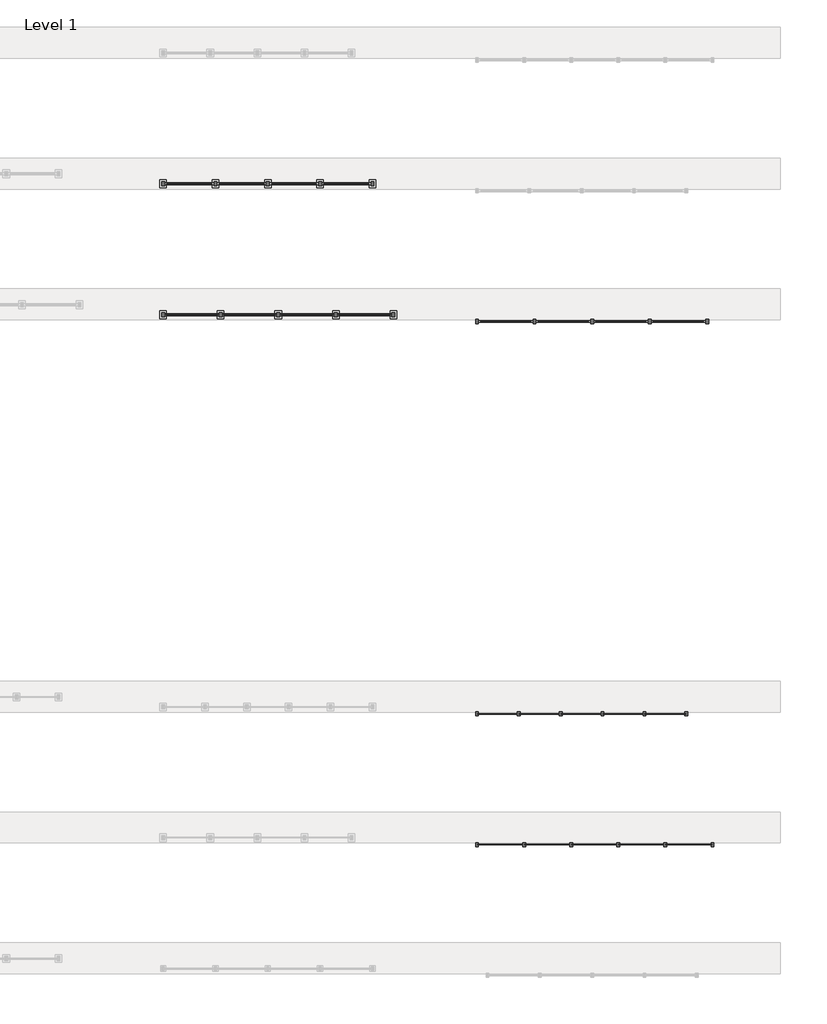
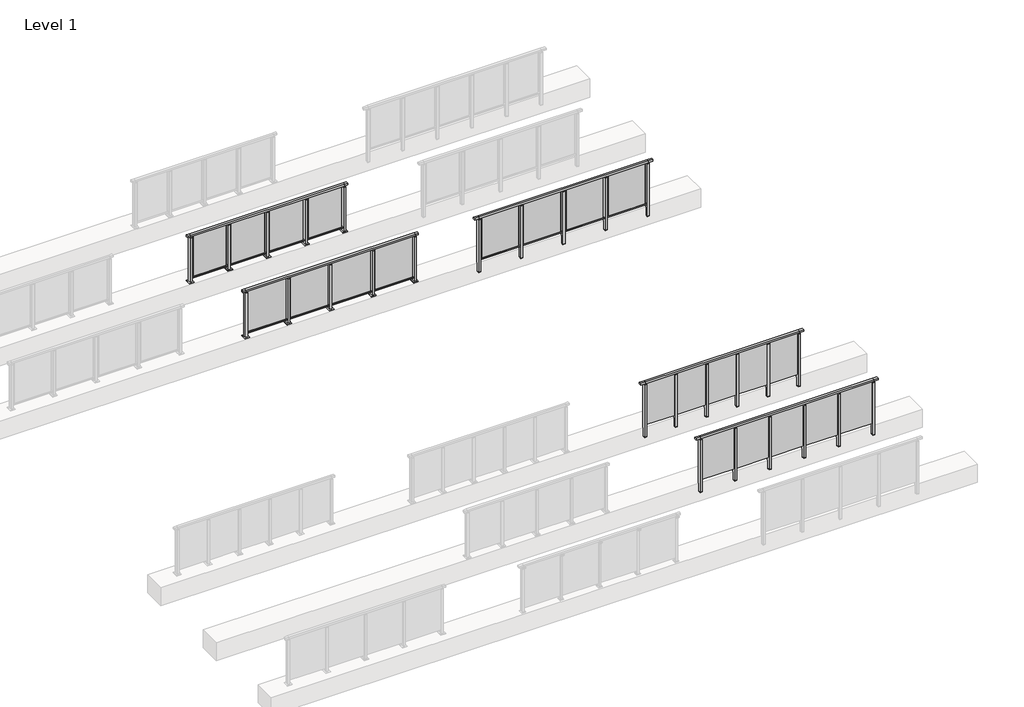
# One storey, part 34 of 38: 5 railings.
"""IFC4 building model written with IfcOpenShell, lengths in millimetres."""

from ifc_helpers import new_model, si_unit, frame, origin, origin_with_axes, place, context, project, spatial, polyline, outline, extrude, faceted_brep, element, save

model = new_model("IFC4")

# Units and contexts
model_context = context("Model", 3, world=origin())
ifc_project = project(units=[si_unit("LENGTHUNIT", "METRE", prefix="MILLI")], contexts=[model_context])

# Site, building, storey
site = spatial("IfcSite", under=ifc_project)
building = spatial("IfcBuilding", under=site)
storey = spatial("IfcBuildingStorey", under=building, Name="Level 1", Elevation=0.0)

# Railings
placement = place(None, origin())
element("IfcRailing", 1, at=placement, inside=storey, context=model_context, shape_type="SolidModel", body=[
    faceted_brep([(41476.1884576, 34897.6846828, 1252.5), (41476.1884576, 34897.6846828, 1300.0), (45976.1884576, 34897.6846828, 1300.0), (45976.1884576, 34897.6846828, 1252.5), (41476.1884576, 34837.6846828, 1252.5), (45976.1884576, 34837.6846828, 1252.5), (41476.1884576, 34837.6846828, 1300.0), (45976.1884576, 34837.6846828, 1300.0), (41353.1884576, 34897.6846828, 1300.0), (41353.1884576, 34897.6846828, 1252.5), (41353.1884576, 34837.6846828, 1252.5), (41353.1884576, 34837.6846828, 1300.0), (46099.1884576, 34897.6846828, 1300.0), (46099.1884576, 34837.6846828, 1300.0), (46099.1884576, 34837.6846828, 1252.5), (46099.1884576, 34897.6846828, 1252.5)], [[[0, 1, 2, 3]], [[4, 0, 3, 5]], [[6, 4, 5, 7]], [[1, 6, 7, 2]], [[8, 9, 10, 11]], [[9, 8, 1, 0]], [[10, 9, 0, 4]], [[11, 10, 4, 6]], [[8, 11, 6, 1]], [[12, 13, 14, 15]], [[3, 2, 12, 15]], [[5, 3, 15, 14]], [[7, 5, 14, 13]], [[2, 7, 13, 12]]]),
    extrude(outline(polyline([(45086.1884576, 34860.9094929), (45086.1884576, 34872.9094929), (45966.1884576, 34872.9094929), (45966.1884576, 34860.9094929), (45086.1884576, 34860.9094929)])), frame((0.0, 0.0, 95.0), z_axis=(0.0, 0.0, 1.0), x_axis=(1.0, 0.0, 0.0)), (0.0, 0.0, 1.0), 1160.0),
    extrude(outline(polyline([(45103.1884576, 34906.6846828), (45103.1884576, 34828.6846828), (45049.1884576, 34828.6846828), (45049.1884576, 34906.6846828), (45103.1884576, 34906.6846828)])), frame((0.0, 0.0, 1227.0), z_axis=(0.0, 0.0, 1.0), x_axis=(1.0, 0.0, 0.0)), (0.0, 0.0, 1.0), 8.0),
    extrude(outline(polyline([(45086.1884576, 34877.6846828), (45086.1884576, 34857.6846828), (45066.1884576, 34857.6846828), (45066.1884576, 34877.6846828), (45086.1884576, 34877.6846828)])), frame((0.0, 0.0, 1235.0), z_axis=(0.0, 0.0, 1.0), x_axis=(1.0, 0.0, 0.0)), (0.0, 0.0, 1.0), 20.0),
    extrude(outline(polyline([(45103.1884576, 34906.6846828), (45103.1884576, 34828.6846828), (45049.1884576, 34828.6846828), (45049.1884576, 34906.6846828), (45103.1884576, 34906.6846828)])), frame((0.0, 0.0, -220.0), z_axis=(0.0, 0.0, 1.0), x_axis=(1.0, 0.0, 0.0)), (0.0, 0.0, 1.0), 8.0),
    extrude(outline(polyline([(45103.1884576, 34906.6846828), (45103.1884576, 34828.6846828), (45049.1884576, 34828.6846828), (45049.1884576, 34906.6846828), (45103.1884576, 34906.6846828)])), frame((0.0, 0.0, -212.0), z_axis=(0.0, 0.0, 1.0), x_axis=(1.0, 0.0, 0.0)), (0.0, 0.0, 1.0), 1439.0),
    extrude(outline(polyline([(44186.1884576, 34860.9094929), (44186.1884576, 34872.9094929), (45066.1884576, 34872.9094929), (45066.1884576, 34860.9094929), (44186.1884576, 34860.9094929)])), frame((0.0, 0.0, 95.0), z_axis=(0.0, 0.0, 1.0), x_axis=(1.0, 0.0, 0.0)), (0.0, 0.0, 1.0), 1160.0),
    extrude(outline(polyline([(44203.1884576, 34906.6846828), (44203.1884576, 34828.6846828), (44149.1884576, 34828.6846828), (44149.1884576, 34906.6846828), (44203.1884576, 34906.6846828)])), frame((0.0, 0.0, 1227.0), z_axis=(0.0, 0.0, 1.0), x_axis=(1.0, 0.0, 0.0)), (0.0, 0.0, 1.0), 8.0),
    extrude(outline(polyline([(44186.1884576, 34877.6846828), (44186.1884576, 34857.6846828), (44166.1884576, 34857.6846828), (44166.1884576, 34877.6846828), (44186.1884576, 34877.6846828)])), frame((0.0, 0.0, 1235.0), z_axis=(0.0, 0.0, 1.0), x_axis=(1.0, 0.0, 0.0)), (0.0, 0.0, 1.0), 20.0),
    extrude(outline(polyline([(44203.1884576, 34906.6846828), (44203.1884576, 34828.6846828), (44149.1884576, 34828.6846828), (44149.1884576, 34906.6846828), (44203.1884576, 34906.6846828)])), frame((0.0, 0.0, -220.0), z_axis=(0.0, 0.0, 1.0), x_axis=(1.0, 0.0, 0.0)), (0.0, 0.0, 1.0), 8.0),
    extrude(outline(polyline([(44203.1884576, 34906.6846828), (44203.1884576, 34828.6846828), (44149.1884576, 34828.6846828), (44149.1884576, 34906.6846828), (44203.1884576, 34906.6846828)])), frame((0.0, 0.0, -212.0), z_axis=(0.0, 0.0, 1.0), x_axis=(1.0, 0.0, 0.0)), (0.0, 0.0, 1.0), 1439.0),
    extrude(outline(polyline([(43286.1884576, 34860.9094929), (43286.1884576, 34872.9094929), (44166.1884576, 34872.9094929), (44166.1884576, 34860.9094929), (43286.1884576, 34860.9094929)])), frame((0.0, 0.0, 95.0), z_axis=(0.0, 0.0, 1.0), x_axis=(1.0, 0.0, 0.0)), (0.0, 0.0, 1.0), 1160.0),
    extrude(outline(polyline([(43303.1884576, 34906.6846828), (43303.1884576, 34828.6846828), (43249.1884576, 34828.6846828), (43249.1884576, 34906.6846828), (43303.1884576, 34906.6846828)])), frame((0.0, 0.0, 1227.0), z_axis=(0.0, 0.0, 1.0), x_axis=(1.0, 0.0, 0.0)), (0.0, 0.0, 1.0), 8.0),
    extrude(outline(polyline([(43286.1884576, 34877.6846828), (43286.1884576, 34857.6846828), (43266.1884576, 34857.6846828), (43266.1884576, 34877.6846828), (43286.1884576, 34877.6846828)])), frame((0.0, 0.0, 1235.0), z_axis=(0.0, 0.0, 1.0), x_axis=(1.0, 0.0, 0.0)), (0.0, 0.0, 1.0), 20.0),
    extrude(outline(polyline([(43303.1884576, 34906.6846828), (43303.1884576, 34828.6846828), (43249.1884576, 34828.6846828), (43249.1884576, 34906.6846828), (43303.1884576, 34906.6846828)])), frame((0.0, 0.0, -220.0), z_axis=(0.0, 0.0, 1.0), x_axis=(1.0, 0.0, 0.0)), (0.0, 0.0, 1.0), 8.0),
    extrude(outline(polyline([(43303.1884576, 34906.6846828), (43303.1884576, 34828.6846828), (43249.1884576, 34828.6846828), (43249.1884576, 34906.6846828), (43303.1884576, 34906.6846828)])), frame((0.0, 0.0, -212.0), z_axis=(0.0, 0.0, 1.0), x_axis=(1.0, 0.0, 0.0)), (0.0, 0.0, 1.0), 1439.0),
    extrude(outline(polyline([(42386.1884576, 34860.9094929), (42386.1884576, 34872.9094929), (43266.1884576, 34872.9094929), (43266.1884576, 34860.9094929), (42386.1884576, 34860.9094929)])), frame((0.0, 0.0, 95.0), z_axis=(0.0, 0.0, 1.0), x_axis=(1.0, 0.0, 0.0)), (0.0, 0.0, 1.0), 1160.0),
    extrude(outline(polyline([(42403.1884576, 34906.6846828), (42403.1884576, 34828.6846828), (42349.1884576, 34828.6846828), (42349.1884576, 34906.6846828), (42403.1884576, 34906.6846828)])), frame((0.0, 0.0, 1227.0), z_axis=(0.0, 0.0, 1.0), x_axis=(1.0, 0.0, 0.0)), (0.0, 0.0, 1.0), 8.0),
    extrude(outline(polyline([(42386.1884576, 34877.6846828), (42386.1884576, 34857.6846828), (42366.1884576, 34857.6846828), (42366.1884576, 34877.6846828), (42386.1884576, 34877.6846828)])), frame((0.0, 0.0, 1235.0), z_axis=(0.0, 0.0, 1.0), x_axis=(1.0, 0.0, 0.0)), (0.0, 0.0, 1.0), 20.0),
    extrude(outline(polyline([(42403.1884576, 34906.6846828), (42403.1884576, 34828.6846828), (42349.1884576, 34828.6846828), (42349.1884576, 34906.6846828), (42403.1884576, 34906.6846828)])), frame((0.0, 0.0, -220.0), z_axis=(0.0, 0.0, 1.0), x_axis=(1.0, 0.0, 0.0)), (0.0, 0.0, 1.0), 8.0),
    extrude(outline(polyline([(42403.1884576, 34906.6846828), (42403.1884576, 34828.6846828), (42349.1884576, 34828.6846828), (42349.1884576, 34906.6846828), (42403.1884576, 34906.6846828)])), frame((0.0, 0.0, -212.0), z_axis=(0.0, 0.0, 1.0), x_axis=(1.0, 0.0, 0.0)), (0.0, 0.0, 1.0), 1439.0),
    extrude(outline(polyline([(41486.1884576, 34860.9094929), (41486.1884576, 34872.9094929), (42366.1884576, 34872.9094929), (42366.1884576, 34860.9094929), (41486.1884576, 34860.9094929)])), frame((0.0, 0.0, 95.0), z_axis=(0.0, 0.0, 1.0), x_axis=(1.0, 0.0, 0.0)), (0.0, 0.0, 1.0), 1160.0),
    extrude(outline(polyline([(46003.1884576, 34906.6846828), (46003.1884576, 34828.6846828), (45949.1884576, 34828.6846828), (45949.1884576, 34906.6846828), (46003.1884576, 34906.6846828)])), frame((0.0, 0.0, 1227.0), z_axis=(0.0, 0.0, 1.0), x_axis=(1.0, 0.0, 0.0)), (0.0, 0.0, 1.0), 8.0),
    extrude(outline(polyline([(45986.1884576, 34877.6846828), (45986.1884576, 34857.6846828), (45966.1884576, 34857.6846828), (45966.1884576, 34877.6846828), (45986.1884576, 34877.6846828)])), frame((0.0, 0.0, 1235.0), z_axis=(0.0, 0.0, 1.0), x_axis=(1.0, 0.0, 0.0)), (0.0, 0.0, 1.0), 20.0),
    extrude(outline(polyline([(46003.1884576, 34906.6846828), (46003.1884576, 34828.6846828), (45949.1884576, 34828.6846828), (45949.1884576, 34906.6846828), (46003.1884576, 34906.6846828)])), frame((0.0, 0.0, -220.0), z_axis=(0.0, 0.0, 1.0), x_axis=(1.0, 0.0, 0.0)), (0.0, 0.0, 1.0), 8.0),
    extrude(outline(polyline([(46003.1884576, 34906.6846828), (46003.1884576, 34828.6846828), (45949.1884576, 34828.6846828), (45949.1884576, 34906.6846828), (46003.1884576, 34906.6846828)])), frame((0.0, 0.0, -212.0), z_axis=(0.0, 0.0, 1.0), x_axis=(1.0, 0.0, 0.0)), (0.0, 0.0, 1.0), 1439.0),
    extrude(outline(polyline([(41503.1884576, 34906.6846828), (41503.1884576, 34828.6846828), (41449.1884576, 34828.6846828), (41449.1884576, 34906.6846828), (41503.1884576, 34906.6846828)])), frame((0.0, 0.0, 1227.0), z_axis=(0.0, 0.0, 1.0), x_axis=(1.0, 0.0, 0.0)), (0.0, 0.0, 1.0), 8.0),
    extrude(outline(polyline([(41486.1884576, 34877.6846828), (41486.1884576, 34857.6846828), (41466.1884576, 34857.6846828), (41466.1884576, 34877.6846828), (41486.1884576, 34877.6846828)])), frame((0.0, 0.0, 1235.0), z_axis=(0.0, 0.0, 1.0), x_axis=(1.0, 0.0, 0.0)), (0.0, 0.0, 1.0), 20.0),
    extrude(outline(polyline([(41503.1884576, 34906.6846828), (41503.1884576, 34828.6846828), (41449.1884576, 34828.6846828), (41449.1884576, 34906.6846828), (41503.1884576, 34906.6846828)])), frame((0.0, 0.0, -220.0), z_axis=(0.0, 0.0, 1.0), x_axis=(1.0, 0.0, 0.0)), (0.0, 0.0, 1.0), 8.0),
    extrude(outline(polyline([(41503.1884576, 34906.6846828), (41503.1884576, 34828.6846828), (41449.1884576, 34828.6846828), (41449.1884576, 34906.6846828), (41503.1884576, 34906.6846828)])), frame((0.0, 0.0, -212.0), z_axis=(0.0, 0.0, 1.0), x_axis=(1.0, 0.0, 0.0)), (0.0, 0.0, 1.0), 1439.0),
])
element("IfcRailing", 2, at=placement, inside=storey, context=model_context, shape_type="SolidModel", body=[
    faceted_brep([(41476.1884576, 37397.6846828, 1252.5), (41476.1884576, 37397.6846828, 1300.0), (45476.1884576, 37397.6846828, 1300.0), (45476.1884576, 37397.6846828, 1252.5), (41476.1884576, 37337.6846828, 1252.5), (45476.1884576, 37337.6846828, 1252.5), (41476.1884576, 37337.6846828, 1300.0), (45476.1884576, 37337.6846828, 1300.0), (41353.1884576, 37397.6846828, 1300.0), (41353.1884576, 37397.6846828, 1252.5), (41353.1884576, 37337.6846828, 1252.5), (41353.1884576, 37337.6846828, 1300.0), (45599.1884576, 37397.6846828, 1300.0), (45599.1884576, 37337.6846828, 1300.0), (45599.1884576, 37337.6846828, 1252.5), (45599.1884576, 37397.6846828, 1252.5)], [[[0, 1, 2, 3]], [[4, 0, 3, 5]], [[6, 4, 5, 7]], [[1, 6, 7, 2]], [[8, 9, 10, 11]], [[9, 8, 1, 0]], [[10, 9, 0, 4]], [[11, 10, 4, 6]], [[8, 11, 6, 1]], [[12, 13, 14, 15]], [[3, 2, 12, 15]], [[5, 3, 15, 14]], [[7, 5, 14, 13]], [[2, 7, 13, 12]]]),
    extrude(outline(polyline([(44686.1884576, 37360.9094929), (44686.1884576, 37372.9094929), (45466.1884576, 37372.9094929), (45466.1884576, 37360.9094929), (44686.1884576, 37360.9094929)])), frame((0.0, 0.0, 95.0), z_axis=(0.0, 0.0, 1.0), x_axis=(1.0, 0.0, 0.0)), (0.0, 0.0, 1.0), 1160.0),
    extrude(outline(polyline([(44703.1884576, 37406.6846828), (44703.1884576, 37328.6846828), (44649.1884576, 37328.6846828), (44649.1884576, 37406.6846828), (44703.1884576, 37406.6846828)])), frame((0.0, 0.0, 1227.0), z_axis=(0.0, 0.0, 1.0), x_axis=(1.0, 0.0, 0.0)), (0.0, 0.0, 1.0), 8.0),
    extrude(outline(polyline([(44686.1884576, 37377.6846828), (44686.1884576, 37357.6846828), (44666.1884576, 37357.6846828), (44666.1884576, 37377.6846828), (44686.1884576, 37377.6846828)])), frame((0.0, 0.0, 1235.0), z_axis=(0.0, 0.0, 1.0), x_axis=(1.0, 0.0, 0.0)), (0.0, 0.0, 1.0), 20.0),
    extrude(outline(polyline([(44703.1884576, 37406.6846828), (44703.1884576, 37328.6846828), (44649.1884576, 37328.6846828), (44649.1884576, 37406.6846828), (44703.1884576, 37406.6846828)])), frame((0.0, 0.0, -220.0), z_axis=(0.0, 0.0, 1.0), x_axis=(1.0, 0.0, 0.0)), (0.0, 0.0, 1.0), 8.0),
    extrude(outline(polyline([(44703.1884576, 37406.6846828), (44703.1884576, 37328.6846828), (44649.1884576, 37328.6846828), (44649.1884576, 37406.6846828), (44703.1884576, 37406.6846828)])), frame((0.0, 0.0, -212.0), z_axis=(0.0, 0.0, 1.0), x_axis=(1.0, 0.0, 0.0)), (0.0, 0.0, 1.0), 1439.0),
    extrude(outline(polyline([(43886.1884576, 37360.9094929), (43886.1884576, 37372.9094929), (44666.1884576, 37372.9094929), (44666.1884576, 37360.9094929), (43886.1884576, 37360.9094929)])), frame((0.0, 0.0, 95.0), z_axis=(0.0, 0.0, 1.0), x_axis=(1.0, 0.0, 0.0)), (0.0, 0.0, 1.0), 1160.0),
    extrude(outline(polyline([(43903.1884576, 37406.6846828), (43903.1884576, 37328.6846828), (43849.1884576, 37328.6846828), (43849.1884576, 37406.6846828), (43903.1884576, 37406.6846828)])), frame((0.0, 0.0, 1227.0), z_axis=(0.0, 0.0, 1.0), x_axis=(1.0, 0.0, 0.0)), (0.0, 0.0, 1.0), 8.0),
    extrude(outline(polyline([(43886.1884576, 37377.6846828), (43886.1884576, 37357.6846828), (43866.1884576, 37357.6846828), (43866.1884576, 37377.6846828), (43886.1884576, 37377.6846828)])), frame((0.0, 0.0, 1235.0), z_axis=(0.0, 0.0, 1.0), x_axis=(1.0, 0.0, 0.0)), (0.0, 0.0, 1.0), 20.0),
    extrude(outline(polyline([(43903.1884576, 37406.6846828), (43903.1884576, 37328.6846828), (43849.1884576, 37328.6846828), (43849.1884576, 37406.6846828), (43903.1884576, 37406.6846828)])), frame((0.0, 0.0, -220.0), z_axis=(0.0, 0.0, 1.0), x_axis=(1.0, 0.0, 0.0)), (0.0, 0.0, 1.0), 8.0),
    extrude(outline(polyline([(43903.1884576, 37406.6846828), (43903.1884576, 37328.6846828), (43849.1884576, 37328.6846828), (43849.1884576, 37406.6846828), (43903.1884576, 37406.6846828)])), frame((0.0, 0.0, -212.0), z_axis=(0.0, 0.0, 1.0), x_axis=(1.0, 0.0, 0.0)), (0.0, 0.0, 1.0), 1439.0),
    extrude(outline(polyline([(43086.1884576, 37360.9094929), (43086.1884576, 37372.9094929), (43866.1884576, 37372.9094929), (43866.1884576, 37360.9094929), (43086.1884576, 37360.9094929)])), frame((0.0, 0.0, 95.0), z_axis=(0.0, 0.0, 1.0), x_axis=(1.0, 0.0, 0.0)), (0.0, 0.0, 1.0), 1160.0),
    extrude(outline(polyline([(43103.1884576, 37406.6846828), (43103.1884576, 37328.6846828), (43049.1884576, 37328.6846828), (43049.1884576, 37406.6846828), (43103.1884576, 37406.6846828)])), frame((0.0, 0.0, 1227.0), z_axis=(0.0, 0.0, 1.0), x_axis=(1.0, 0.0, 0.0)), (0.0, 0.0, 1.0), 8.0),
    extrude(outline(polyline([(43086.1884576, 37377.6846828), (43086.1884576, 37357.6846828), (43066.1884576, 37357.6846828), (43066.1884576, 37377.6846828), (43086.1884576, 37377.6846828)])), frame((0.0, 0.0, 1235.0), z_axis=(0.0, 0.0, 1.0), x_axis=(1.0, 0.0, 0.0)), (0.0, 0.0, 1.0), 20.0),
    extrude(outline(polyline([(43103.1884576, 37406.6846828), (43103.1884576, 37328.6846828), (43049.1884576, 37328.6846828), (43049.1884576, 37406.6846828), (43103.1884576, 37406.6846828)])), frame((0.0, 0.0, -220.0), z_axis=(0.0, 0.0, 1.0), x_axis=(1.0, 0.0, 0.0)), (0.0, 0.0, 1.0), 8.0),
    extrude(outline(polyline([(43103.1884576, 37406.6846828), (43103.1884576, 37328.6846828), (43049.1884576, 37328.6846828), (43049.1884576, 37406.6846828), (43103.1884576, 37406.6846828)])), frame((0.0, 0.0, -212.0), z_axis=(0.0, 0.0, 1.0), x_axis=(1.0, 0.0, 0.0)), (0.0, 0.0, 1.0), 1439.0),
    extrude(outline(polyline([(42286.1884576, 37360.9094929), (42286.1884576, 37372.9094929), (43066.1884576, 37372.9094929), (43066.1884576, 37360.9094929), (42286.1884576, 37360.9094929)])), frame((0.0, 0.0, 95.0), z_axis=(0.0, 0.0, 1.0), x_axis=(1.0, 0.0, 0.0)), (0.0, 0.0, 1.0), 1160.0),
    extrude(outline(polyline([(42303.1884576, 37406.6846828), (42303.1884576, 37328.6846828), (42249.1884576, 37328.6846828), (42249.1884576, 37406.6846828), (42303.1884576, 37406.6846828)])), frame((0.0, 0.0, 1227.0), z_axis=(0.0, 0.0, 1.0), x_axis=(1.0, 0.0, 0.0)), (0.0, 0.0, 1.0), 8.0),
    extrude(outline(polyline([(42286.1884576, 37377.6846828), (42286.1884576, 37357.6846828), (42266.1884576, 37357.6846828), (42266.1884576, 37377.6846828), (42286.1884576, 37377.6846828)])), frame((0.0, 0.0, 1235.0), z_axis=(0.0, 0.0, 1.0), x_axis=(1.0, 0.0, 0.0)), (0.0, 0.0, 1.0), 20.0),
    extrude(outline(polyline([(42303.1884576, 37406.6846828), (42303.1884576, 37328.6846828), (42249.1884576, 37328.6846828), (42249.1884576, 37406.6846828), (42303.1884576, 37406.6846828)])), frame((0.0, 0.0, -220.0), z_axis=(0.0, 0.0, 1.0), x_axis=(1.0, 0.0, 0.0)), (0.0, 0.0, 1.0), 8.0),
    extrude(outline(polyline([(42303.1884576, 37406.6846828), (42303.1884576, 37328.6846828), (42249.1884576, 37328.6846828), (42249.1884576, 37406.6846828), (42303.1884576, 37406.6846828)])), frame((0.0, 0.0, -212.0), z_axis=(0.0, 0.0, 1.0), x_axis=(1.0, 0.0, 0.0)), (0.0, 0.0, 1.0), 1439.0),
    extrude(outline(polyline([(41486.1884576, 37360.9094929), (41486.1884576, 37372.9094929), (42266.1884576, 37372.9094929), (42266.1884576, 37360.9094929), (41486.1884576, 37360.9094929)])), frame((0.0, 0.0, 95.0), z_axis=(0.0, 0.0, 1.0), x_axis=(1.0, 0.0, 0.0)), (0.0, 0.0, 1.0), 1160.0),
    extrude(outline(polyline([(45503.1884576, 37406.6846828), (45503.1884576, 37328.6846828), (45449.1884576, 37328.6846828), (45449.1884576, 37406.6846828), (45503.1884576, 37406.6846828)])), frame((0.0, 0.0, 1227.0), z_axis=(0.0, 0.0, 1.0), x_axis=(1.0, 0.0, 0.0)), (0.0, 0.0, 1.0), 8.0),
    extrude(outline(polyline([(45486.1884576, 37377.6846828), (45486.1884576, 37357.6846828), (45466.1884576, 37357.6846828), (45466.1884576, 37377.6846828), (45486.1884576, 37377.6846828)])), frame((0.0, 0.0, 1235.0), z_axis=(0.0, 0.0, 1.0), x_axis=(1.0, 0.0, 0.0)), (0.0, 0.0, 1.0), 20.0),
    extrude(outline(polyline([(45503.1884576, 37406.6846828), (45503.1884576, 37328.6846828), (45449.1884576, 37328.6846828), (45449.1884576, 37406.6846828), (45503.1884576, 37406.6846828)])), frame((0.0, 0.0, -220.0), z_axis=(0.0, 0.0, 1.0), x_axis=(1.0, 0.0, 0.0)), (0.0, 0.0, 1.0), 8.0),
    extrude(outline(polyline([(45503.1884576, 37406.6846828), (45503.1884576, 37328.6846828), (45449.1884576, 37328.6846828), (45449.1884576, 37406.6846828), (45503.1884576, 37406.6846828)])), frame((0.0, 0.0, -212.0), z_axis=(0.0, 0.0, 1.0), x_axis=(1.0, 0.0, 0.0)), (0.0, 0.0, 1.0), 1439.0),
    extrude(outline(polyline([(41503.1884576, 37406.6846828), (41503.1884576, 37328.6846828), (41449.1884576, 37328.6846828), (41449.1884576, 37406.6846828), (41503.1884576, 37406.6846828)])), frame((0.0, 0.0, 1227.0), z_axis=(0.0, 0.0, 1.0), x_axis=(1.0, 0.0, 0.0)), (0.0, 0.0, 1.0), 8.0),
    extrude(outline(polyline([(41486.1884576, 37377.6846828), (41486.1884576, 37357.6846828), (41466.1884576, 37357.6846828), (41466.1884576, 37377.6846828), (41486.1884576, 37377.6846828)])), frame((0.0, 0.0, 1235.0), z_axis=(0.0, 0.0, 1.0), x_axis=(1.0, 0.0, 0.0)), (0.0, 0.0, 1.0), 20.0),
    extrude(outline(polyline([(41503.1884576, 37406.6846828), (41503.1884576, 37328.6846828), (41449.1884576, 37328.6846828), (41449.1884576, 37406.6846828), (41503.1884576, 37406.6846828)])), frame((0.0, 0.0, -220.0), z_axis=(0.0, 0.0, 1.0), x_axis=(1.0, 0.0, 0.0)), (0.0, 0.0, 1.0), 8.0),
    extrude(outline(polyline([(41503.1884576, 37406.6846828), (41503.1884576, 37328.6846828), (41449.1884576, 37328.6846828), (41449.1884576, 37406.6846828), (41503.1884576, 37406.6846828)])), frame((0.0, 0.0, -212.0), z_axis=(0.0, 0.0, 1.0), x_axis=(1.0, 0.0, 0.0)), (0.0, 0.0, 1.0), 1439.0),
])
element("IfcRailing", 3, at=placement, inside=storey, context=model_context, shape_type="SolidModel", body=[
    faceted_brep([(41476.1884576, 44897.6846828, 1252.5), (41476.1884576, 44897.6846828, 1300.0), (45876.1884576, 44897.6846828, 1300.0), (45876.1884576, 44897.6846828, 1252.5), (41476.1884576, 44837.6846828, 1252.5), (45876.1884576, 44837.6846828, 1252.5), (41476.1884576, 44837.6846828, 1300.0), (45876.1884576, 44837.6846828, 1300.0), (41353.1884576, 44897.6846828, 1300.0), (41353.1884576, 44897.6846828, 1252.5), (41353.1884576, 44837.6846828, 1252.5), (41353.1884576, 44837.6846828, 1300.0), (45999.1884576, 44897.6846828, 1300.0), (45999.1884576, 44837.6846828, 1300.0), (45999.1884576, 44837.6846828, 1252.5), (45999.1884576, 44897.6846828, 1252.5)], [[[0, 1, 2, 3]], [[4, 0, 3, 5]], [[6, 4, 5, 7]], [[1, 6, 7, 2]], [[8, 9, 10, 11]], [[9, 8, 1, 0]], [[10, 9, 0, 4]], [[11, 10, 4, 6]], [[8, 11, 6, 1]], [[12, 13, 14, 15]], [[3, 2, 12, 15]], [[5, 3, 15, 14]], [[7, 5, 14, 13]], [[2, 7, 13, 12]]]),
    extrude(outline(polyline([(41476.1884576, 44849.6846828), (41476.1884576, 44885.6846828), (45876.1884576, 44885.6846828), (45876.1884576, 44849.6846828), (41476.1884576, 44849.6846828)])), frame((0.0, 0.0, 93.0), z_axis=(0.0, 0.0, 1.0), x_axis=(1.0, 0.0, 0.0)), (0.0, 0.0, 1.0), 32.0),
    extrude(outline(polyline([(44848.6884576, 44863.9094929), (44848.6884576, 44873.9094929), (45803.6884576, 44873.9094929), (45803.6884576, 44863.9094929), (44848.6884576, 44863.9094929)])), frame((0.0, 0.0, 125.0), z_axis=(0.0, 0.0, 1.0), x_axis=(1.0, 0.0, 0.0)), (0.0, 0.0, 1.0), 1130.0),
    extrude(outline(polyline([(44803.1884576, 44906.6846828), (44803.1884576, 44828.6846828), (44749.1884576, 44828.6846828), (44749.1884576, 44906.6846828), (44803.1884576, 44906.6846828)])), frame((0.0, 0.0, 1227.0), z_axis=(0.0, 0.0, 1.0), x_axis=(1.0, 0.0, 0.0)), (0.0, 0.0, 1.0), 8.0),
    extrude(outline(polyline([(44786.1884576, 44877.6846828), (44786.1884576, 44857.6846828), (44766.1884576, 44857.6846828), (44766.1884576, 44877.6846828), (44786.1884576, 44877.6846828)])), frame((0.0, 0.0, 1235.0), z_axis=(0.0, 0.0, 1.0), x_axis=(1.0, 0.0, 0.0)), (0.0, 0.0, 1.0), 20.0),
    extrude(outline(polyline([(44803.1884576, 44906.6846828), (44803.1884576, 44828.6846828), (44749.1884576, 44828.6846828), (44749.1884576, 44906.6846828), (44803.1884576, 44906.6846828)])), frame((0.0, 0.0, -220.0), z_axis=(0.0, 0.0, 1.0), x_axis=(1.0, 0.0, 0.0)), (0.0, 0.0, 1.0), 8.0),
    extrude(outline(polyline([(44803.1884576, 44906.6846828), (44803.1884576, 44828.6846828), (44749.1884576, 44828.6846828), (44749.1884576, 44906.6846828), (44803.1884576, 44906.6846828)])), frame((0.0, 0.0, -212.0), z_axis=(0.0, 0.0, 1.0), x_axis=(1.0, 0.0, 0.0)), (0.0, 0.0, 1.0), 1439.0),
    extrude(outline(polyline([(43748.6884576, 44863.9094929), (43748.6884576, 44873.9094929), (44703.6884576, 44873.9094929), (44703.6884576, 44863.9094929), (43748.6884576, 44863.9094929)])), frame((0.0, 0.0, 125.0), z_axis=(0.0, 0.0, 1.0), x_axis=(1.0, 0.0, 0.0)), (0.0, 0.0, 1.0), 1130.0),
    extrude(outline(polyline([(43703.1884576, 44906.6846828), (43703.1884576, 44828.6846828), (43649.1884576, 44828.6846828), (43649.1884576, 44906.6846828), (43703.1884576, 44906.6846828)])), frame((0.0, 0.0, 1227.0), z_axis=(0.0, 0.0, 1.0), x_axis=(1.0, 0.0, 0.0)), (0.0, 0.0, 1.0), 8.0),
    extrude(outline(polyline([(43686.1884576, 44877.6846828), (43686.1884576, 44857.6846828), (43666.1884576, 44857.6846828), (43666.1884576, 44877.6846828), (43686.1884576, 44877.6846828)])), frame((0.0, 0.0, 1235.0), z_axis=(0.0, 0.0, 1.0), x_axis=(1.0, 0.0, 0.0)), (0.0, 0.0, 1.0), 20.0),
    extrude(outline(polyline([(43703.1884576, 44906.6846828), (43703.1884576, 44828.6846828), (43649.1884576, 44828.6846828), (43649.1884576, 44906.6846828), (43703.1884576, 44906.6846828)])), frame((0.0, 0.0, -220.0), z_axis=(0.0, 0.0, 1.0), x_axis=(1.0, 0.0, 0.0)), (0.0, 0.0, 1.0), 8.0),
    extrude(outline(polyline([(43703.1884576, 44906.6846828), (43703.1884576, 44828.6846828), (43649.1884576, 44828.6846828), (43649.1884576, 44906.6846828), (43703.1884576, 44906.6846828)])), frame((0.0, 0.0, -212.0), z_axis=(0.0, 0.0, 1.0), x_axis=(1.0, 0.0, 0.0)), (0.0, 0.0, 1.0), 1439.0),
    extrude(outline(polyline([(42648.6884576, 44863.9094929), (42648.6884576, 44873.9094929), (43603.6884576, 44873.9094929), (43603.6884576, 44863.9094929), (42648.6884576, 44863.9094929)])), frame((0.0, 0.0, 125.0), z_axis=(0.0, 0.0, 1.0), x_axis=(1.0, 0.0, 0.0)), (0.0, 0.0, 1.0), 1130.0),
    extrude(outline(polyline([(42603.1884576, 44906.6846828), (42603.1884576, 44828.6846828), (42549.1884576, 44828.6846828), (42549.1884576, 44906.6846828), (42603.1884576, 44906.6846828)])), frame((0.0, 0.0, 1227.0), z_axis=(0.0, 0.0, 1.0), x_axis=(1.0, 0.0, 0.0)), (0.0, 0.0, 1.0), 8.0),
    extrude(outline(polyline([(42586.1884576, 44877.6846828), (42586.1884576, 44857.6846828), (42566.1884576, 44857.6846828), (42566.1884576, 44877.6846828), (42586.1884576, 44877.6846828)])), frame((0.0, 0.0, 1235.0), z_axis=(0.0, 0.0, 1.0), x_axis=(1.0, 0.0, 0.0)), (0.0, 0.0, 1.0), 20.0),
    extrude(outline(polyline([(42603.1884576, 44906.6846828), (42603.1884576, 44828.6846828), (42549.1884576, 44828.6846828), (42549.1884576, 44906.6846828), (42603.1884576, 44906.6846828)])), frame((0.0, 0.0, -220.0), z_axis=(0.0, 0.0, 1.0), x_axis=(1.0, 0.0, 0.0)), (0.0, 0.0, 1.0), 8.0),
    extrude(outline(polyline([(42603.1884576, 44906.6846828), (42603.1884576, 44828.6846828), (42549.1884576, 44828.6846828), (42549.1884576, 44906.6846828), (42603.1884576, 44906.6846828)])), frame((0.0, 0.0, -212.0), z_axis=(0.0, 0.0, 1.0), x_axis=(1.0, 0.0, 0.0)), (0.0, 0.0, 1.0), 1439.0),
    extrude(outline(polyline([(41548.6884576, 44863.9094929), (41548.6884576, 44873.9094929), (42503.6884576, 44873.9094929), (42503.6884576, 44863.9094929), (41548.6884576, 44863.9094929)])), frame((0.0, 0.0, 125.0), z_axis=(0.0, 0.0, 1.0), x_axis=(1.0, 0.0, 0.0)), (0.0, 0.0, 1.0), 1130.0),
    extrude(outline(polyline([(45903.1884576, 44906.6846828), (45903.1884576, 44828.6846828), (45849.1884576, 44828.6846828), (45849.1884576, 44906.6846828), (45903.1884576, 44906.6846828)])), frame((0.0, 0.0, 1227.0), z_axis=(0.0, 0.0, 1.0), x_axis=(1.0, 0.0, 0.0)), (0.0, 0.0, 1.0), 8.0),
    extrude(outline(polyline([(45886.1884576, 44877.6846828), (45886.1884576, 44857.6846828), (45866.1884576, 44857.6846828), (45866.1884576, 44877.6846828), (45886.1884576, 44877.6846828)])), frame((0.0, 0.0, 1235.0), z_axis=(0.0, 0.0, 1.0), x_axis=(1.0, 0.0, 0.0)), (0.0, 0.0, 1.0), 20.0),
    extrude(outline(polyline([(45903.1884576, 44906.6846828), (45903.1884576, 44828.6846828), (45849.1884576, 44828.6846828), (45849.1884576, 44906.6846828), (45903.1884576, 44906.6846828)])), frame((0.0, 0.0, -220.0), z_axis=(0.0, 0.0, 1.0), x_axis=(1.0, 0.0, 0.0)), (0.0, 0.0, 1.0), 8.0),
    extrude(outline(polyline([(45903.1884576, 44906.6846828), (45903.1884576, 44828.6846828), (45849.1884576, 44828.6846828), (45849.1884576, 44906.6846828), (45903.1884576, 44906.6846828)])), frame((0.0, 0.0, -212.0), z_axis=(0.0, 0.0, 1.0), x_axis=(1.0, 0.0, 0.0)), (0.0, 0.0, 1.0), 1439.0),
    extrude(outline(polyline([(41503.1884576, 44906.6846828), (41503.1884576, 44828.6846828), (41449.1884576, 44828.6846828), (41449.1884576, 44906.6846828), (41503.1884576, 44906.6846828)])), frame((0.0, 0.0, 1227.0), z_axis=(0.0, 0.0, 1.0), x_axis=(1.0, 0.0, 0.0)), (0.0, 0.0, 1.0), 8.0),
    extrude(outline(polyline([(41486.1884576, 44877.6846828), (41486.1884576, 44857.6846828), (41466.1884576, 44857.6846828), (41466.1884576, 44877.6846828), (41486.1884576, 44877.6846828)])), frame((0.0, 0.0, 1235.0), z_axis=(0.0, 0.0, 1.0), x_axis=(1.0, 0.0, 0.0)), (0.0, 0.0, 1.0), 20.0),
    extrude(outline(polyline([(41503.1884576, 44906.6846828), (41503.1884576, 44828.6846828), (41449.1884576, 44828.6846828), (41449.1884576, 44906.6846828), (41503.1884576, 44906.6846828)])), frame((0.0, 0.0, -220.0), z_axis=(0.0, 0.0, 1.0), x_axis=(1.0, 0.0, 0.0)), (0.0, 0.0, 1.0), 8.0),
    extrude(outline(polyline([(41503.1884576, 44906.6846828), (41503.1884576, 44828.6846828), (41449.1884576, 44828.6846828), (41449.1884576, 44906.6846828), (41503.1884576, 44906.6846828)])), frame((0.0, 0.0, -212.0), z_axis=(0.0, 0.0, 1.0), x_axis=(1.0, 0.0, 0.0)), (0.0, 0.0, 1.0), 1439.0),
])
element("IfcRailing", 4, at=placement, inside=storey, context=model_context, shape_type="SolidModel", body=[
    faceted_brep([(35476.1884576, 45030.1846828, 1252.5), (35476.1884576, 45030.1846828, 1300.0), (39876.1884576, 45030.1846828, 1300.0), (39876.1884576, 45030.1846828, 1252.5), (35476.1884576, 44970.1846828, 1252.5), (39876.1884576, 44970.1846828, 1252.5), (35476.1884576, 44970.1846828, 1300.0), (39876.1884576, 44970.1846828, 1300.0), (35388.6884576, 45030.1846828, 1300.0), (35388.6884576, 45030.1846828, 1252.5), (35388.6884576, 44970.1846828, 1252.5), (35388.6884576, 44970.1846828, 1300.0), (39963.6884576, 45030.1846828, 1300.0), (39963.6884576, 44970.1846828, 1300.0), (39963.6884576, 44970.1846828, 1252.5), (39963.6884576, 45030.1846828, 1252.5)], [[[0, 1, 2, 3]], [[4, 0, 3, 5]], [[6, 4, 5, 7]], [[1, 6, 7, 2]], [[8, 9, 10, 11]], [[9, 8, 1, 0]], [[10, 9, 0, 4]], [[11, 10, 4, 6]], [[8, 11, 6, 1]], [[12, 13, 14, 15]], [[3, 2, 12, 15]], [[5, 3, 15, 14]], [[7, 5, 14, 13]], [[2, 7, 13, 12]]]),
    extrude(outline(polyline([(35476.1884576, 44982.1846828), (35476.1884576, 45018.1846828), (39876.1884576, 45018.1846828), (39876.1884576, 44982.1846828), (35476.1884576, 44982.1846828)])), frame((0.0, 0.0, 93.0), z_axis=(0.0, 0.0, 1.0), x_axis=(1.0, 0.0, 0.0)), (0.0, 0.0, 1.0), 32.0),
    extrude(outline(polyline([(38836.1884576, 45005.9598727), (39816.1884576, 45005.9598727), (39816.1884576, 44995.9598727), (38836.1884576, 44995.9598727), (38836.1884576, 45005.9598727)])), frame((0.0, 0.0, 125.0), z_axis=(0.0, 0.0, 1.0), x_axis=(1.0, 0.0, 0.0)), (0.0, 0.0, 1.0), 1130.0),
    extrude(outline(polyline([(38803.1884576, 44961.1846828), (38749.1884576, 44961.1846828), (38749.1884576, 45039.1846828), (38803.1884576, 45039.1846828), (38803.1884576, 44961.1846828)])), frame((0.0, 0.0, 12.0), z_axis=(0.0, 0.0, 1.0), x_axis=(1.0, 0.0, 0.0)), (0.0, 0.0, 1.0), 1215.0),
    extrude(outline(polyline([(38786.1884576, 44990.1846828), (38766.1884576, 44990.1846828), (38766.1884576, 45010.1846828), (38786.1884576, 45010.1846828), (38786.1884576, 44990.1846828)])), frame((0.0, 0.0, 1235.0), z_axis=(0.0, 0.0, 1.0), x_axis=(1.0, 0.0, 0.0)), (0.0, 0.0, 1.0), 20.0),
    extrude(outline(polyline([(38803.1884576, 44961.1846828), (38749.1884576, 44961.1846828), (38749.1884576, 45039.1846828), (38803.1884576, 45039.1846828), (38803.1884576, 44961.1846828)])), frame((0.0, 0.0, 1227.0), z_axis=(0.0, 0.0, 1.0), x_axis=(1.0, 0.0, 0.0)), (0.0, 0.0, 1.0), 8.0),
    extrude(outline(polyline([(38838.6884576, 44925.1846828), (38713.6884576, 44925.1846828), (38713.6884576, 45075.1846828), (38838.6884576, 45075.1846828), (38838.6884576, 44925.1846828)])), origin_with_axes(), (0.0, 0.0, 1.0), 12.0),
    extrude(outline(polyline([(37736.1884576, 45005.9598727), (38716.1884576, 45005.9598727), (38716.1884576, 44995.9598727), (37736.1884576, 44995.9598727), (37736.1884576, 45005.9598727)])), frame((0.0, 0.0, 125.0), z_axis=(0.0, 0.0, 1.0), x_axis=(1.0, 0.0, 0.0)), (0.0, 0.0, 1.0), 1130.0),
    extrude(outline(polyline([(37703.1884576, 44961.1846828), (37649.1884576, 44961.1846828), (37649.1884576, 45039.1846828), (37703.1884576, 45039.1846828), (37703.1884576, 44961.1846828)])), frame((0.0, 0.0, 12.0), z_axis=(0.0, 0.0, 1.0), x_axis=(1.0, 0.0, 0.0)), (0.0, 0.0, 1.0), 1215.0),
    extrude(outline(polyline([(37686.1884576, 44990.1846828), (37666.1884576, 44990.1846828), (37666.1884576, 45010.1846828), (37686.1884576, 45010.1846828), (37686.1884576, 44990.1846828)])), frame((0.0, 0.0, 1235.0), z_axis=(0.0, 0.0, 1.0), x_axis=(1.0, 0.0, 0.0)), (0.0, 0.0, 1.0), 20.0),
    extrude(outline(polyline([(37703.1884576, 44961.1846828), (37649.1884576, 44961.1846828), (37649.1884576, 45039.1846828), (37703.1884576, 45039.1846828), (37703.1884576, 44961.1846828)])), frame((0.0, 0.0, 1227.0), z_axis=(0.0, 0.0, 1.0), x_axis=(1.0, 0.0, 0.0)), (0.0, 0.0, 1.0), 8.0),
    extrude(outline(polyline([(37738.6884576, 44925.1846828), (37613.6884576, 44925.1846828), (37613.6884576, 45075.1846828), (37738.6884576, 45075.1846828), (37738.6884576, 44925.1846828)])), origin_with_axes(), (0.0, 0.0, 1.0), 12.0),
    extrude(outline(polyline([(36636.1884576, 45005.9598727), (37616.1884576, 45005.9598727), (37616.1884576, 44995.9598727), (36636.1884576, 44995.9598727), (36636.1884576, 45005.9598727)])), frame((0.0, 0.0, 125.0), z_axis=(0.0, 0.0, 1.0), x_axis=(1.0, 0.0, 0.0)), (0.0, 0.0, 1.0), 1130.0),
    extrude(outline(polyline([(36603.1884576, 44961.1846828), (36549.1884576, 44961.1846828), (36549.1884576, 45039.1846828), (36603.1884576, 45039.1846828), (36603.1884576, 44961.1846828)])), frame((0.0, 0.0, 12.0), z_axis=(0.0, 0.0, 1.0), x_axis=(1.0, 0.0, 0.0)), (0.0, 0.0, 1.0), 1215.0),
    extrude(outline(polyline([(36586.1884576, 44990.1846828), (36566.1884576, 44990.1846828), (36566.1884576, 45010.1846828), (36586.1884576, 45010.1846828), (36586.1884576, 44990.1846828)])), frame((0.0, 0.0, 1235.0), z_axis=(0.0, 0.0, 1.0), x_axis=(1.0, 0.0, 0.0)), (0.0, 0.0, 1.0), 20.0),
    extrude(outline(polyline([(36603.1884576, 44961.1846828), (36549.1884576, 44961.1846828), (36549.1884576, 45039.1846828), (36603.1884576, 45039.1846828), (36603.1884576, 44961.1846828)])), frame((0.0, 0.0, 1227.0), z_axis=(0.0, 0.0, 1.0), x_axis=(1.0, 0.0, 0.0)), (0.0, 0.0, 1.0), 8.0),
    extrude(outline(polyline([(36638.6884576, 44925.1846828), (36513.6884576, 44925.1846828), (36513.6884576, 45075.1846828), (36638.6884576, 45075.1846828), (36638.6884576, 44925.1846828)])), origin_with_axes(), (0.0, 0.0, 1.0), 12.0),
    extrude(outline(polyline([(35536.1884576, 45005.9598727), (36516.1884576, 45005.9598727), (36516.1884576, 44995.9598727), (35536.1884576, 44995.9598727), (35536.1884576, 45005.9598727)])), frame((0.0, 0.0, 125.0), z_axis=(0.0, 0.0, 1.0), x_axis=(1.0, 0.0, 0.0)), (0.0, 0.0, 1.0), 1130.0),
    extrude(outline(polyline([(39903.1884576, 44961.1846828), (39849.1884576, 44961.1846828), (39849.1884576, 45039.1846828), (39903.1884576, 45039.1846828), (39903.1884576, 44961.1846828)])), frame((0.0, 0.0, 12.0), z_axis=(0.0, 0.0, 1.0), x_axis=(1.0, 0.0, 0.0)), (0.0, 0.0, 1.0), 1215.0),
    extrude(outline(polyline([(39886.1884576, 44990.1846828), (39866.1884576, 44990.1846828), (39866.1884576, 45010.1846828), (39886.1884576, 45010.1846828), (39886.1884576, 44990.1846828)])), frame((0.0, 0.0, 1235.0), z_axis=(0.0, 0.0, 1.0), x_axis=(1.0, 0.0, 0.0)), (0.0, 0.0, 1.0), 20.0),
    extrude(outline(polyline([(39903.1884576, 44961.1846828), (39849.1884576, 44961.1846828), (39849.1884576, 45039.1846828), (39903.1884576, 45039.1846828), (39903.1884576, 44961.1846828)])), frame((0.0, 0.0, 1227.0), z_axis=(0.0, 0.0, 1.0), x_axis=(1.0, 0.0, 0.0)), (0.0, 0.0, 1.0), 8.0),
    extrude(outline(polyline([(39938.6884576, 44925.1846828), (39813.6884576, 44925.1846828), (39813.6884576, 45075.1846828), (39938.6884576, 45075.1846828), (39938.6884576, 44925.1846828)])), origin_with_axes(), (0.0, 0.0, 1.0), 12.0),
    extrude(outline(polyline([(35503.1884576, 44961.1846828), (35449.1884576, 44961.1846828), (35449.1884576, 45039.1846828), (35503.1884576, 45039.1846828), (35503.1884576, 44961.1846828)])), frame((0.0, 0.0, 12.0), z_axis=(0.0, 0.0, 1.0), x_axis=(1.0, 0.0, 0.0)), (0.0, 0.0, 1.0), 1215.0),
    extrude(outline(polyline([(35486.1884576, 44990.1846828), (35466.1884576, 44990.1846828), (35466.1884576, 45010.1846828), (35486.1884576, 45010.1846828), (35486.1884576, 44990.1846828)])), frame((0.0, 0.0, 1235.0), z_axis=(0.0, 0.0, 1.0), x_axis=(1.0, 0.0, 0.0)), (0.0, 0.0, 1.0), 20.0),
    extrude(outline(polyline([(35503.1884576, 44961.1846828), (35449.1884576, 44961.1846828), (35449.1884576, 45039.1846828), (35503.1884576, 45039.1846828), (35503.1884576, 44961.1846828)])), frame((0.0, 0.0, 1227.0), z_axis=(0.0, 0.0, 1.0), x_axis=(1.0, 0.0, 0.0)), (0.0, 0.0, 1.0), 8.0),
    extrude(outline(polyline([(35538.6884576, 44925.1846828), (35413.6884576, 44925.1846828), (35413.6884576, 45075.1846828), (35538.6884576, 45075.1846828), (35538.6884576, 44925.1846828)])), origin_with_axes(), (0.0, 0.0, 1.0), 12.0),
])
element("IfcRailing", 5, at=placement, inside=storey, context=model_context, shape_type="SolidModel", body=[
    faceted_brep([(35476.1884576, 47530.1846828, 1252.5), (35476.1884576, 47530.1846828, 1300.0), (39476.1884576, 47530.1846828, 1300.0), (39476.1884576, 47530.1846828, 1252.5), (35476.1884576, 47470.1846828, 1252.5), (39476.1884576, 47470.1846828, 1252.5), (35476.1884576, 47470.1846828, 1300.0), (39476.1884576, 47470.1846828, 1300.0), (35388.6884576, 47530.1846828, 1300.0), (35388.6884576, 47530.1846828, 1252.5), (35388.6884576, 47470.1846828, 1252.5), (35388.6884576, 47470.1846828, 1300.0), (39563.6884576, 47530.1846828, 1300.0), (39563.6884576, 47470.1846828, 1300.0), (39563.6884576, 47470.1846828, 1252.5), (39563.6884576, 47530.1846828, 1252.5)], [[[0, 1, 2, 3]], [[4, 0, 3, 5]], [[6, 4, 5, 7]], [[1, 6, 7, 2]], [[8, 9, 10, 11]], [[9, 8, 1, 0]], [[10, 9, 0, 4]], [[11, 10, 4, 6]], [[8, 11, 6, 1]], [[12, 13, 14, 15]], [[3, 2, 12, 15]], [[5, 3, 15, 14]], [[7, 5, 14, 13]], [[2, 7, 13, 12]]]),
    extrude(outline(polyline([(35476.1884576, 47482.1846828), (35476.1884576, 47518.1846828), (39476.1884576, 47518.1846828), (39476.1884576, 47482.1846828), (35476.1884576, 47482.1846828)])), frame((0.0, 0.0, 93.0), z_axis=(0.0, 0.0, 1.0), x_axis=(1.0, 0.0, 0.0)), (0.0, 0.0, 1.0), 32.0),
    extrude(outline(polyline([(38548.6884576, 47501.9598727), (39403.6884576, 47501.9598727), (39403.6884576, 47495.9598727), (38548.6884576, 47495.9598727), (38548.6884576, 47501.9598727)])), frame((0.0, 0.0, 125.0), z_axis=(0.0, 0.0, 1.0), x_axis=(1.0, 0.0, 0.0)), (0.0, 0.0, 1.0), 1130.0),
    extrude(outline(polyline([(38503.1884576, 47461.1846828), (38449.1884576, 47461.1846828), (38449.1884576, 47539.1846828), (38503.1884576, 47539.1846828), (38503.1884576, 47461.1846828)])), frame((0.0, 0.0, 12.0), z_axis=(0.0, 0.0, 1.0), x_axis=(1.0, 0.0, 0.0)), (0.0, 0.0, 1.0), 1215.0),
    extrude(outline(polyline([(38486.1884576, 47490.1846828), (38466.1884576, 47490.1846828), (38466.1884576, 47510.1846828), (38486.1884576, 47510.1846828), (38486.1884576, 47490.1846828)])), frame((0.0, 0.0, 1235.0), z_axis=(0.0, 0.0, 1.0), x_axis=(1.0, 0.0, 0.0)), (0.0, 0.0, 1.0), 20.0),
    extrude(outline(polyline([(38503.1884576, 47461.1846828), (38449.1884576, 47461.1846828), (38449.1884576, 47539.1846828), (38503.1884576, 47539.1846828), (38503.1884576, 47461.1846828)])), frame((0.0, 0.0, 1227.0), z_axis=(0.0, 0.0, 1.0), x_axis=(1.0, 0.0, 0.0)), (0.0, 0.0, 1.0), 8.0),
    extrude(outline(polyline([(38538.6884576, 47425.1846828), (38413.6884576, 47425.1846828), (38413.6884576, 47575.1846828), (38538.6884576, 47575.1846828), (38538.6884576, 47425.1846828)])), origin_with_axes(), (0.0, 0.0, 1.0), 12.0),
    extrude(outline(polyline([(37548.6884576, 47501.9598727), (38403.6884576, 47501.9598727), (38403.6884576, 47495.9598727), (37548.6884576, 47495.9598727), (37548.6884576, 47501.9598727)])), frame((0.0, 0.0, 125.0), z_axis=(0.0, 0.0, 1.0), x_axis=(1.0, 0.0, 0.0)), (0.0, 0.0, 1.0), 1130.0),
    extrude(outline(polyline([(37503.1884576, 47461.1846828), (37449.1884576, 47461.1846828), (37449.1884576, 47539.1846828), (37503.1884576, 47539.1846828), (37503.1884576, 47461.1846828)])), frame((0.0, 0.0, 12.0), z_axis=(0.0, 0.0, 1.0), x_axis=(1.0, 0.0, 0.0)), (0.0, 0.0, 1.0), 1215.0),
    extrude(outline(polyline([(37486.1884576, 47490.1846828), (37466.1884576, 47490.1846828), (37466.1884576, 47510.1846828), (37486.1884576, 47510.1846828), (37486.1884576, 47490.1846828)])), frame((0.0, 0.0, 1235.0), z_axis=(0.0, 0.0, 1.0), x_axis=(1.0, 0.0, 0.0)), (0.0, 0.0, 1.0), 20.0),
    extrude(outline(polyline([(37503.1884576, 47461.1846828), (37449.1884576, 47461.1846828), (37449.1884576, 47539.1846828), (37503.1884576, 47539.1846828), (37503.1884576, 47461.1846828)])), frame((0.0, 0.0, 1227.0), z_axis=(0.0, 0.0, 1.0), x_axis=(1.0, 0.0, 0.0)), (0.0, 0.0, 1.0), 8.0),
    extrude(outline(polyline([(37538.6884576, 47425.1846828), (37413.6884576, 47425.1846828), (37413.6884576, 47575.1846828), (37538.6884576, 47575.1846828), (37538.6884576, 47425.1846828)])), origin_with_axes(), (0.0, 0.0, 1.0), 12.0),
    extrude(outline(polyline([(36548.6884576, 47501.9598727), (37403.6884576, 47501.9598727), (37403.6884576, 47495.9598727), (36548.6884576, 47495.9598727), (36548.6884576, 47501.9598727)])), frame((0.0, 0.0, 125.0), z_axis=(0.0, 0.0, 1.0), x_axis=(1.0, 0.0, 0.0)), (0.0, 0.0, 1.0), 1130.0),
    extrude(outline(polyline([(36503.1884576, 47461.1846828), (36449.1884576, 47461.1846828), (36449.1884576, 47539.1846828), (36503.1884576, 47539.1846828), (36503.1884576, 47461.1846828)])), frame((0.0, 0.0, 12.0), z_axis=(0.0, 0.0, 1.0), x_axis=(1.0, 0.0, 0.0)), (0.0, 0.0, 1.0), 1215.0),
    extrude(outline(polyline([(36486.1884576, 47490.1846828), (36466.1884576, 47490.1846828), (36466.1884576, 47510.1846828), (36486.1884576, 47510.1846828), (36486.1884576, 47490.1846828)])), frame((0.0, 0.0, 1235.0), z_axis=(0.0, 0.0, 1.0), x_axis=(1.0, 0.0, 0.0)), (0.0, 0.0, 1.0), 20.0),
    extrude(outline(polyline([(36503.1884576, 47461.1846828), (36449.1884576, 47461.1846828), (36449.1884576, 47539.1846828), (36503.1884576, 47539.1846828), (36503.1884576, 47461.1846828)])), frame((0.0, 0.0, 1227.0), z_axis=(0.0, 0.0, 1.0), x_axis=(1.0, 0.0, 0.0)), (0.0, 0.0, 1.0), 8.0),
    extrude(outline(polyline([(36538.6884576, 47425.1846828), (36413.6884576, 47425.1846828), (36413.6884576, 47575.1846828), (36538.6884576, 47575.1846828), (36538.6884576, 47425.1846828)])), origin_with_axes(), (0.0, 0.0, 1.0), 12.0),
    extrude(outline(polyline([(35548.6884576, 47501.9598727), (36403.6884576, 47501.9598727), (36403.6884576, 47495.9598727), (35548.6884576, 47495.9598727), (35548.6884576, 47501.9598727)])), frame((0.0, 0.0, 125.0), z_axis=(0.0, 0.0, 1.0), x_axis=(1.0, 0.0, 0.0)), (0.0, 0.0, 1.0), 1130.0),
    extrude(outline(polyline([(39503.1884576, 47461.1846828), (39449.1884576, 47461.1846828), (39449.1884576, 47539.1846828), (39503.1884576, 47539.1846828), (39503.1884576, 47461.1846828)])), frame((0.0, 0.0, 12.0), z_axis=(0.0, 0.0, 1.0), x_axis=(1.0, 0.0, 0.0)), (0.0, 0.0, 1.0), 1215.0),
    extrude(outline(polyline([(39486.1884576, 47490.1846828), (39466.1884576, 47490.1846828), (39466.1884576, 47510.1846828), (39486.1884576, 47510.1846828), (39486.1884576, 47490.1846828)])), frame((0.0, 0.0, 1235.0), z_axis=(0.0, 0.0, 1.0), x_axis=(1.0, 0.0, 0.0)), (0.0, 0.0, 1.0), 20.0),
    extrude(outline(polyline([(39503.1884576, 47461.1846828), (39449.1884576, 47461.1846828), (39449.1884576, 47539.1846828), (39503.1884576, 47539.1846828), (39503.1884576, 47461.1846828)])), frame((0.0, 0.0, 1227.0), z_axis=(0.0, 0.0, 1.0), x_axis=(1.0, 0.0, 0.0)), (0.0, 0.0, 1.0), 8.0),
    extrude(outline(polyline([(39538.6884576, 47425.1846828), (39413.6884576, 47425.1846828), (39413.6884576, 47575.1846828), (39538.6884576, 47575.1846828), (39538.6884576, 47425.1846828)])), origin_with_axes(), (0.0, 0.0, 1.0), 12.0),
    extrude(outline(polyline([(35503.1884576, 47461.1846828), (35449.1884576, 47461.1846828), (35449.1884576, 47539.1846828), (35503.1884576, 47539.1846828), (35503.1884576, 47461.1846828)])), frame((0.0, 0.0, 12.0), z_axis=(0.0, 0.0, 1.0), x_axis=(1.0, 0.0, 0.0)), (0.0, 0.0, 1.0), 1215.0),
    extrude(outline(polyline([(35486.1884576, 47490.1846828), (35466.1884576, 47490.1846828), (35466.1884576, 47510.1846828), (35486.1884576, 47510.1846828), (35486.1884576, 47490.1846828)])), frame((0.0, 0.0, 1235.0), z_axis=(0.0, 0.0, 1.0), x_axis=(1.0, 0.0, 0.0)), (0.0, 0.0, 1.0), 20.0),
    extrude(outline(polyline([(35503.1884576, 47461.1846828), (35449.1884576, 47461.1846828), (35449.1884576, 47539.1846828), (35503.1884576, 47539.1846828), (35503.1884576, 47461.1846828)])), frame((0.0, 0.0, 1227.0), z_axis=(0.0, 0.0, 1.0), x_axis=(1.0, 0.0, 0.0)), (0.0, 0.0, 1.0), 8.0),
    extrude(outline(polyline([(35538.6884576, 47425.1846828), (35413.6884576, 47425.1846828), (35413.6884576, 47575.1846828), (35538.6884576, 47575.1846828), (35538.6884576, 47425.1846828)])), origin_with_axes(), (0.0, 0.0, 1.0), 12.0),
])

save(model, "model.ifc")
